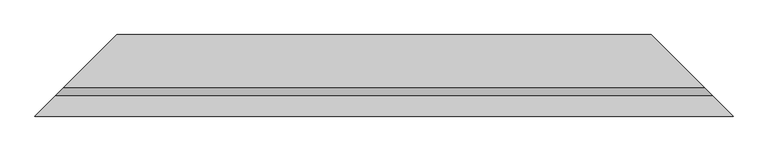
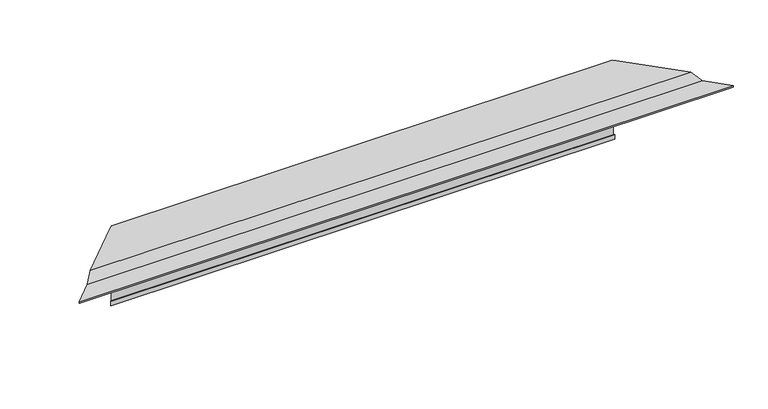
"""IFC4 building model written with IfcOpenShell, lengths in millimetres: proxy geometry."""

import ifcopenshell
import ifcopenshell.guid

model = None  # the IFC model being written
_history = None  # IfcOwnerHistory: only IFC2X3 demands one
_inside = {}  # id of a spatial element -> (the spatial element, [elements in it])
_under = {}  # id of a project, library or spatial element -> (it, [spatial elements below it])
_declared = {}  # id of a project -> (the project, [libraries it declares])
_typed = {}  # id of a type object -> (the type object, [elements of that type])
_made_of = {}  # id of a material, layer set ... -> (it, [elements and type objects made of it])


def new_model(schema):
    """Start an empty IFC model of exactly this schema.

    Asked for "IFC4X3", IfcOpenShell would pick the latest addendum, in which some entities
    have other attributes; the version numbers below select the first issue.
    IFC2X3 requires an IfcOwnerHistory on every rooted entity: one is made here for all.
    """
    global model, _history
    if schema == "IFC4X3":
        model = ifcopenshell.file(schema_version=(4, 3, 0, 0))
    else:
        model = ifcopenshell.file(schema=schema)
    _inside.clear()
    _under.clear()
    _declared.clear()
    _typed.clear()
    _made_of.clear()
    _history = None
    if model.schema == "IFC2X3":
        org = make("IfcOrganization", Name="unknown")
        user = make(
            "IfcPersonAndOrganization",
            ThePerson=make("IfcPerson", FamilyName="unknown"),
            TheOrganization=org,
        )
        app = make(
            "IfcApplication",
            ApplicationDeveloper=org,
            Version="unknown",
            ApplicationFullName="unknown",
            ApplicationIdentifier="unknown",
        )
        _history = make(
            "IfcOwnerHistory",
            OwningUser=user,
            OwningApplication=app,
            ChangeAction="ADDED",
            CreationDate=0,
        )
    return model


def make(cls, **values):
    """One entity of the class cls with the attributes given. An attribute that is None is left unset."""
    return model.create_entity(
        cls, **{name: value for name, value in values.items() if value is not None}
    )


def rooted(cls, **values):
    """An entity with a GlobalId (a new one), such as an element, a storey or a relation."""
    return make(cls, GlobalId=ifcopenshell.guid.new(), OwnerHistory=_history, **values)


def si_unit(unit_type, name, prefix=None):
    """IfcSIUnit, for example si_unit("LENGTHUNIT", "METRE", prefix="MILLI")."""
    return make("IfcSIUnit", UnitType=unit_type, Prefix=prefix, Name=name)


def assignment(units):
    """IfcUnitAssignment: the units of a project."""
    return None if units is None else make("IfcUnitAssignment", Units=units)


def point(xyz):
    """IfcCartesianPoint."""
    return None if xyz is None else make("IfcCartesianPoint", Coordinates=xyz)


def direction(xyz):
    """IfcDirection."""
    return None if xyz is None else make("IfcDirection", DirectionRatios=xyz)


def frame(location, z_axis=None, x_axis=None):
    """IfcAxis2Placement3D, a coordinate frame: its origin and axes. An axis left out is left unset."""
    return make(
        "IfcAxis2Placement3D",
        Location=point(location),
        Axis=direction(z_axis),
        RefDirection=direction(x_axis),
    )


def origin():
    """The frame at (0, 0, 0) with its axes left unset."""
    return frame((0.0, 0.0, 0.0))


def place(relative_to, where):
    """IfcLocalPlacement: puts the frame where relative to a parent placement (None: the world)."""
    return make(
        "IfcLocalPlacement", PlacementRelTo=relative_to, RelativePlacement=where
    )


def context(
    kind, dimensions, precision=None, world=None, true_north=None, identifier=None
):
    """IfcGeometricRepresentationContext, for example the 3D "Model" context."""
    return make(
        "IfcGeometricRepresentationContext",
        ContextIdentifier=identifier,
        ContextType=kind,
        CoordinateSpaceDimension=dimensions,
        Precision=precision,
        WorldCoordinateSystem=world,
        TrueNorth=true_north,
    )


def project(units=None, contexts=None):
    """IfcProject with its units and contexts."""
    return rooted(
        "IfcProject",
        Name="project",
        RepresentationContexts=contexts,
        UnitsInContext=assignment(units),
    )


def spatial(cls, under=None, at=None, **own):
    """A site, building, storey or space (cls), placed at a placement, below another one or the project."""
    s = rooted(cls, ObjectPlacement=at, **own)
    if under is not None:
        _under.setdefault(under.id(), (under, []))[1].append(s)
    return s


def faces_of(points, faces, orient=None, outer=None):
    """IfcFace entities. A face is a list of loops; a loop is a list of indices into points, from 0.

    orient and outer hold one flag for each loop. By default every Orientation is true, the
    first loop of a face is its IfcFaceOuterBound and the others are IfcFaceBound.
    """
    made = []
    for i, loops in enumerate(faces):
        bounds = []
        for j, loop in enumerate(loops):
            is_outer = j == 0 if outer is None else outer[i][j]
            bounds.append(
                make(
                    "IfcFaceOuterBound" if is_outer else "IfcFaceBound",
                    Bound=make("IfcPolyLoop", Polygon=[points[k] for k in loop]),
                    Orientation=True if orient is None else orient[i][j],
                )
            )
        made.append(make("IfcFace", Bounds=bounds))
    return made


def faceted_brep(points, faces, orient=None, outer=None, voids=None):
    """IfcFacetedBrep: a solid bounded by flat faces; with voids (closed shells), ...WithVoids."""
    shared = [point(p) for p in points]
    hull = make("IfcClosedShell", CfsFaces=faces_of(shared, faces, orient, outer))
    if voids is None:
        return make("IfcFacetedBrep", Outer=hull)
    return make(
        "IfcFacetedBrepWithVoids",
        Outer=hull,
        Voids=[
            make(cls, CfsFaces=faces_of(shared, fs, o, b)) for cls, fs, o, b in voids
        ],
    )


def shape(context_of_items, identifier, shape_type, items):
    """IfcShapeRepresentation: the items that make up one representation, for example the "Body"."""
    return make(
        "IfcShapeRepresentation",
        ContextOfItems=context_of_items,
        RepresentationIdentifier=identifier,
        RepresentationType=shape_type,
        Items=items,
    )


def source(mapping_origin, context_of_items, identifier, shape_type, items):
    """IfcRepresentationMap: a shape defined once, which mapped items show again and again."""
    return make(
        "IfcRepresentationMap",
        MappingOrigin=mapping_origin,
        MappedRepresentation=shape(context_of_items, identifier, shape_type, items),
    )


def transform(
    local_origin,
    x_axis=None,
    y_axis=None,
    z_axis=None,
    scale=None,
    scale2=None,
    scale3=None,
    uniform=True,
):
    """IfcCartesianTransformationOperator3D, or its non-uniform kind. x_axis, y_axis, z_axis: its Axis1, 2, 3."""
    if uniform:
        return make(
            "IfcCartesianTransformationOperator3D",
            Axis1=direction(x_axis),
            Axis2=direction(y_axis),
            LocalOrigin=point(local_origin),
            Scale=scale,
            Axis3=direction(z_axis),
        )
    return make(
        "IfcCartesianTransformationOperator3DnonUniform",
        Axis1=direction(x_axis),
        Axis2=direction(y_axis),
        LocalOrigin=point(local_origin),
        Scale=scale,
        Axis3=direction(z_axis),
        Scale2=scale2,
        Scale3=scale3,
    )


def mapped(mapping_source, mapping_target):
    """IfcMappedItem: shows the shape of a source again, moved by a transform."""
    return make(
        "IfcMappedItem", MappingSource=mapping_source, MappingTarget=mapping_target
    )


def made_of(thing, what):
    """Note that an element or type object is made of a material, layer set ...; save() writes the relation."""
    if what is not None:
        _made_of.setdefault(what.id(), (what, []))[1].append(thing)
    return thing


def element(
    cls,
    number,
    at=None,
    inside=None,
    cuts=None,
    type_object=None,
    material=None,
    context=None,
    identifier="Body",
    shape_type=None,
    held_by="IfcProductDefinitionShape",
    body=None,
    shapes=None,
    **own,
):
    """One element of the class cls, such as IfcWall. Its Tag is "e" and its number.

    at: its placement. inside: the storey or other place that contains it. cuts: it is an
    opening in that element (IfcRelVoidsElement). A single representation is given by context,
    identifier, shape_type and body (its items); several are given by shapes. held_by: the class
    of the entity that holds the representations. save() writes the other relations.
    """
    e = rooted(cls, Tag="e%d" % number, ObjectPlacement=at, **own)
    if body is not None:
        shapes = [shape(context, identifier, shape_type, body)]
    if shapes is not None:
        e.Representation = make(held_by, Representations=shapes)
    if inside is not None:
        _inside.setdefault(inside.id(), (inside, []))[1].append(e)
    if cuts is not None:
        rooted(
            "IfcRelVoidsElement", RelatingBuildingElement=cuts, RelatedOpeningElement=e
        )
    if type_object is not None:
        _typed.setdefault(type_object.id(), (type_object, []))[1].append(e)
    return made_of(e, material)


def aggregate(whole, parts):
    """IfcRelAggregates: a whole, such as a stair, and the parts it consists of."""
    return rooted("IfcRelAggregates", RelatingObject=whole, RelatedObjects=parts)


def save(model, path):
    """Write the relations noted so far, then the file.

    IfcRelAggregates (storeys below a building ...), IfcRelContainedInSpatialStructure (elements
    in a storey), IfcRelDefinesByType, IfcRelAssociatesMaterial and IfcRelDeclares: one each for
    every whole, place, type object, material and project.
    """
    for whole, parts in _under.values():
        aggregate(whole, parts)
    for where, things in _inside.values():
        rooted(
            "IfcRelContainedInSpatialStructure",
            RelatedElements=things,
            RelatingStructure=where,
        )
    for kind, things in _typed.values():
        rooted("IfcRelDefinesByType", RelatedObjects=things, RelatingType=kind)
    for what, things in _made_of.values():
        rooted("IfcRelAssociatesMaterial", RelatedObjects=things, RelatingMaterial=what)
    for by, libraries in _declared.values():
        rooted("IfcRelDeclares", RelatingContext=by, RelatedDefinitions=libraries)
    model.write(path)


def generic_models_0f62b091(model_context):
    return source(origin(), model_context, "Body", "Brep", [
        faceted_brep([(2.0, 2.0, -150.0), (5.0, 5.0, -150.0), (1026.7056735, 5.0, -150.0), (1029.7056735, 2.0, -150.0), (4.0, 4.0, -149.0), (3.0, 3.0, -149.0), (1028.7056735, 3.0, -149.0), (1027.7056735, 4.0, -149.0), (3.0, 3.0, -140.0), (1028.7056735, 3.0, -140.0), (2.0, 2.0, -140.0), (1029.7056735, 2.0, -140.0), (5.0, 5.0, 20.0), (0.0, 0.0, 20.0), (-96.0, -96.0, 20.0), (1127.7056735, -96.0, 20.0), (1031.7056735, 0.0, 20.0), (1026.7056735, 5.0, 20.0), (-111.0, -111.0, 5.0), (1142.7056735, -111.0, 5.0), (-151.0, -151.0, 5.0), (1182.7056735, -151.0, 5.0), (-151.0, -151.0, 2.0), (1182.7056735, -151.0, 2.0), (-141.0, -141.0, 2.0), (1172.7056735, -141.0, 2.0), (-141.0, -141.0, 3.0), (1172.7056735, -141.0, 3.0), (-150.0, -150.0, 3.0), (1181.7056735, -150.0, 3.0), (-150.0, -150.0, 4.0), (1181.7056735, -150.0, 4.0), (-110.5857864, -110.5857864, 4.0), (1142.2914599, -110.5857864, 4.0), (-95.5857864, -95.5857864, 19.0), (1127.2914599, -95.5857864, 19.0), (0.0, 0.0, 19.0), (4.0, 4.0, 19.0), (1027.7056735, 4.0, 19.0), (1031.7056735, 0.0, 19.0)], [[[0, 1, 2, 3]], [[4, 5, 6, 7]], [[5, 8, 9, 6]], [[8, 10, 11, 9]], [[10, 0, 3, 11]], [[12, 13, 14, 15, 16, 17]], [[14, 18, 19, 15]], [[18, 20, 21, 19]], [[20, 22, 23, 21]], [[22, 24, 25, 23]], [[24, 26, 27, 25]], [[26, 28, 29, 27]], [[28, 30, 31, 29]], [[30, 32, 33, 31]], [[32, 34, 35, 33]], [[36, 37, 38, 39, 35, 34]], [[37, 4, 7, 38]], [[1, 12, 17, 2]], [[36, 13, 12, 1, 0, 10, 8, 5, 4, 37]], [[13, 36, 34, 32, 30, 28, 26, 24, 22, 20, 18, 14]], [[16, 39, 38, 7, 6, 9, 11, 3, 2, 17]], [[39, 16, 15, 19, 21, 23, 25, 27, 29, 31, 33, 35]]]),
    ])


if __name__ == "__main__":
    model = new_model("IFC4")
    model_context = context("Model", 3, world=origin())
    ifc_project = project(units=[si_unit("LENGTHUNIT", "METRE", prefix="MILLI")], contexts=[model_context])
    site = spatial("IfcSite", under=ifc_project)
    building = spatial("IfcBuilding", under=site)
    placement = place(None, origin())
    generic_models_shape = generic_models_0f62b091(model_context)
    element("IfcBuildingElementProxy", 1, Name="Generic Models", at=placement, inside=building, context=model_context, shape_type="MappedRepresentation", body=[
        mapped(generic_models_shape, transform((0.0, 0.0, 0.0), x_axis=(1.0, 0.0, 0.0), y_axis=(0.0, 1.0, 0.0), z_axis=(0.0, 0.0, 1.0))),
    ])
    save(model, "model.ifc")
